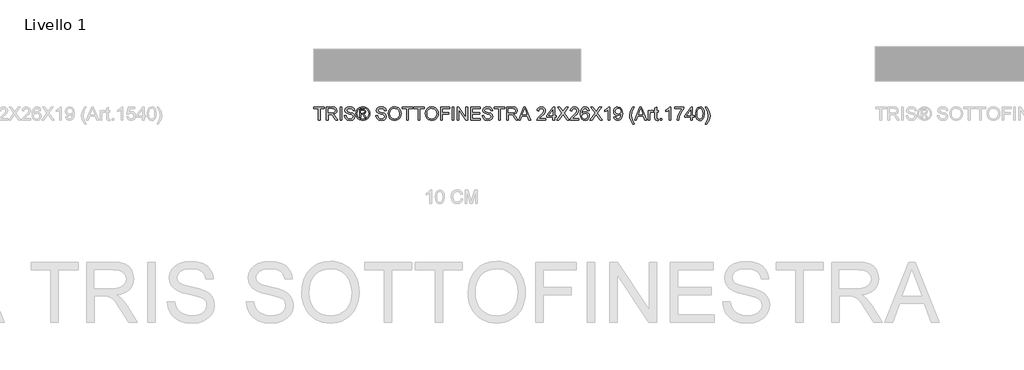
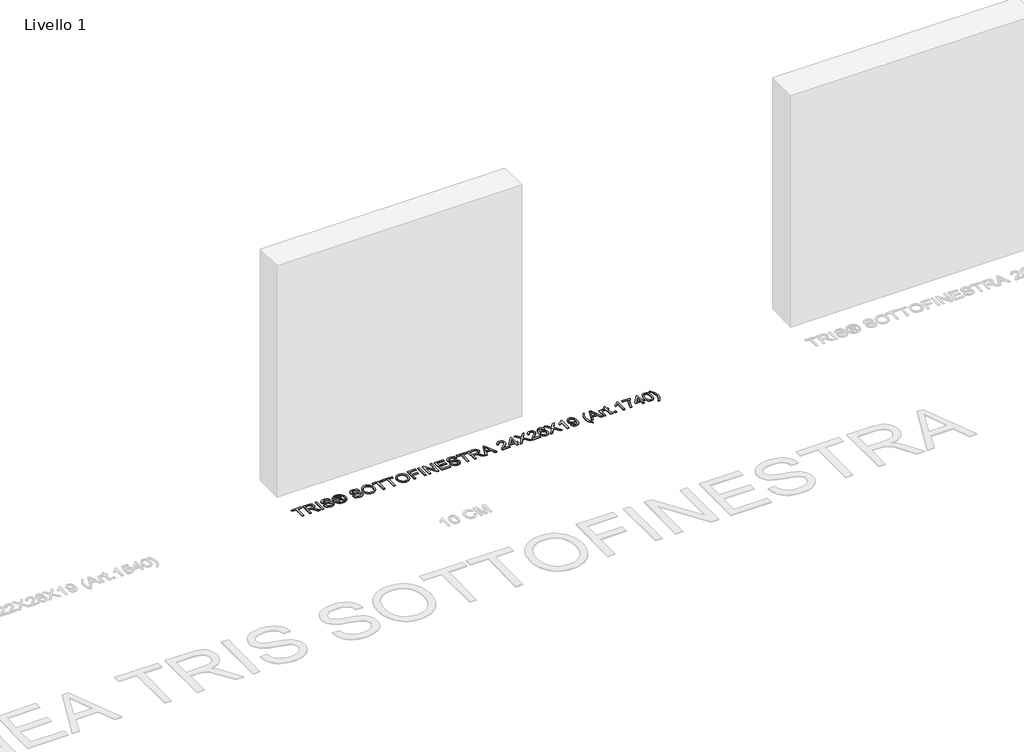
# One storey, part 18 of 19: 1 proxy.
"""IFC4 building model written with IfcOpenShell, lengths in millimetres."""

import ifcopenshell
import ifcopenshell.guid

model = None  # the IFC model being written
_history = None  # IfcOwnerHistory: only IFC2X3 demands one
_inside = {}  # id of a spatial element -> (the spatial element, [elements in it])
_under = {}  # id of a project, library or spatial element -> (it, [spatial elements below it])
_declared = {}  # id of a project -> (the project, [libraries it declares])
_typed = {}  # id of a type object -> (the type object, [elements of that type])
_made_of = {}  # id of a material, layer set ... -> (it, [elements and type objects made of it])


def new_model(schema):
    """Start an empty IFC model of exactly this schema.

    Asked for "IFC4X3", IfcOpenShell would pick the latest addendum, in which some entities
    have other attributes; the version numbers below select the first issue.
    IFC2X3 requires an IfcOwnerHistory on every rooted entity: one is made here for all.
    """
    global model, _history
    if schema == "IFC4X3":
        model = ifcopenshell.file(schema_version=(4, 3, 0, 0))
    else:
        model = ifcopenshell.file(schema=schema)
    _inside.clear()
    _under.clear()
    _declared.clear()
    _typed.clear()
    _made_of.clear()
    _history = None
    if model.schema == "IFC2X3":
        org = make("IfcOrganization", Name="unknown")
        user = make(
            "IfcPersonAndOrganization",
            ThePerson=make("IfcPerson", FamilyName="unknown"),
            TheOrganization=org,
        )
        app = make(
            "IfcApplication",
            ApplicationDeveloper=org,
            Version="unknown",
            ApplicationFullName="unknown",
            ApplicationIdentifier="unknown",
        )
        _history = make(
            "IfcOwnerHistory",
            OwningUser=user,
            OwningApplication=app,
            ChangeAction="ADDED",
            CreationDate=0,
        )
    return model


def make(cls, **values):
    """One entity of the class cls with the attributes given. An attribute that is None is left unset."""
    return model.create_entity(
        cls, **{name: value for name, value in values.items() if value is not None}
    )


def rooted(cls, **values):
    """An entity with a GlobalId (a new one), such as an element, a storey or a relation."""
    return make(cls, GlobalId=ifcopenshell.guid.new(), OwnerHistory=_history, **values)


def si_unit(unit_type, name, prefix=None):
    """IfcSIUnit, for example si_unit("LENGTHUNIT", "METRE", prefix="MILLI")."""
    return make("IfcSIUnit", UnitType=unit_type, Prefix=prefix, Name=name)


def assignment(units):
    """IfcUnitAssignment: the units of a project."""
    return None if units is None else make("IfcUnitAssignment", Units=units)


def point(xyz):
    """IfcCartesianPoint."""
    return None if xyz is None else make("IfcCartesianPoint", Coordinates=xyz)


def direction(xyz):
    """IfcDirection."""
    return None if xyz is None else make("IfcDirection", DirectionRatios=xyz)


def frame(location, z_axis=None, x_axis=None):
    """IfcAxis2Placement3D, a coordinate frame: its origin and axes. An axis left out is left unset."""
    return make(
        "IfcAxis2Placement3D",
        Location=point(location),
        Axis=direction(z_axis),
        RefDirection=direction(x_axis),
    )


def origin():
    """The frame at (0, 0, 0) with its axes left unset."""
    return frame((0.0, 0.0, 0.0))


def origin_with_axes():
    """The frame at (0, 0, 0) with the z axis (0, 0, 1) and the x axis (1, 0, 0) written out."""
    return frame((0.0, 0.0, 0.0), z_axis=(0.0, 0.0, 1.0), x_axis=(1.0, 0.0, 0.0))


def place(relative_to, where):
    """IfcLocalPlacement: puts the frame where relative to a parent placement (None: the world)."""
    return make(
        "IfcLocalPlacement", PlacementRelTo=relative_to, RelativePlacement=where
    )


def context(
    kind, dimensions, precision=None, world=None, true_north=None, identifier=None
):
    """IfcGeometricRepresentationContext, for example the 3D "Model" context."""
    return make(
        "IfcGeometricRepresentationContext",
        ContextIdentifier=identifier,
        ContextType=kind,
        CoordinateSpaceDimension=dimensions,
        Precision=precision,
        WorldCoordinateSystem=world,
        TrueNorth=true_north,
    )


def project(units=None, contexts=None):
    """IfcProject with its units and contexts."""
    return rooted(
        "IfcProject",
        Name="project",
        RepresentationContexts=contexts,
        UnitsInContext=assignment(units),
    )


def spatial(cls, under=None, at=None, **own):
    """A site, building, storey or space (cls), placed at a placement, below another one or the project."""
    s = rooted(cls, ObjectPlacement=at, **own)
    if under is not None:
        _under.setdefault(under.id(), (under, []))[1].append(s)
    return s


def polyline(points):
    """IfcPolyline through the points."""
    return make("IfcPolyline", Points=[point(p) for p in points])


def outline(outer, holes=None, kind="AREA"):
    """IfcArbitraryClosedProfileDef: a profile drawn as a closed curve; with holes, ...WithVoids."""
    if holes is None:
        return make("IfcArbitraryClosedProfileDef", ProfileType=kind, OuterCurve=outer)
    return make(
        "IfcArbitraryProfileDefWithVoids",
        ProfileType=kind,
        OuterCurve=outer,
        InnerCurves=holes,
    )


def extrude(swept, where, along, depth):
    """IfcExtrudedAreaSolid: the profile swept, set in the frame where, extruded along a direction by depth."""
    return make(
        "IfcExtrudedAreaSolid",
        SweptArea=swept,
        Position=where,
        ExtrudedDirection=direction(along),
        Depth=depth,
    )


def shape(context_of_items, identifier, shape_type, items):
    """IfcShapeRepresentation: the items that make up one representation, for example the "Body"."""
    return make(
        "IfcShapeRepresentation",
        ContextOfItems=context_of_items,
        RepresentationIdentifier=identifier,
        RepresentationType=shape_type,
        Items=items,
    )


def made_of(thing, what):
    """Note that an element or type object is made of a material, layer set ...; save() writes the relation."""
    if what is not None:
        _made_of.setdefault(what.id(), (what, []))[1].append(thing)
    return thing


def element(
    cls,
    number,
    at=None,
    inside=None,
    cuts=None,
    type_object=None,
    material=None,
    context=None,
    identifier="Body",
    shape_type=None,
    held_by="IfcProductDefinitionShape",
    body=None,
    shapes=None,
    **own,
):
    """One element of the class cls, such as IfcWall. Its Tag is "e" and its number.

    at: its placement. inside: the storey or other place that contains it. cuts: it is an
    opening in that element (IfcRelVoidsElement). A single representation is given by context,
    identifier, shape_type and body (its items); several are given by shapes. held_by: the class
    of the entity that holds the representations. save() writes the other relations.
    """
    e = rooted(cls, Tag="e%d" % number, ObjectPlacement=at, **own)
    if body is not None:
        shapes = [shape(context, identifier, shape_type, body)]
    if shapes is not None:
        e.Representation = make(held_by, Representations=shapes)
    if inside is not None:
        _inside.setdefault(inside.id(), (inside, []))[1].append(e)
    if cuts is not None:
        rooted(
            "IfcRelVoidsElement", RelatingBuildingElement=cuts, RelatedOpeningElement=e
        )
    if type_object is not None:
        _typed.setdefault(type_object.id(), (type_object, []))[1].append(e)
    return made_of(e, material)


def aggregate(whole, parts):
    """IfcRelAggregates: a whole, such as a stair, and the parts it consists of."""
    return rooted("IfcRelAggregates", RelatingObject=whole, RelatedObjects=parts)


def save(model, path):
    """Write the relations noted so far, then the file.

    IfcRelAggregates (storeys below a building ...), IfcRelContainedInSpatialStructure (elements
    in a storey), IfcRelDefinesByType, IfcRelAssociatesMaterial and IfcRelDeclares: one each for
    every whole, place, type object, material and project.
    """
    for whole, parts in _under.values():
        aggregate(whole, parts)
    for where, things in _inside.values():
        rooted(
            "IfcRelContainedInSpatialStructure",
            RelatedElements=things,
            RelatingStructure=where,
        )
    for kind, things in _typed.values():
        rooted("IfcRelDefinesByType", RelatedObjects=things, RelatingType=kind)
    for what, things in _made_of.values():
        rooted("IfcRelAssociatesMaterial", RelatedObjects=things, RelatingMaterial=what)
    for by, libraries in _declared.values():
        rooted("IfcRelDeclares", RelatingContext=by, RelatedDefinitions=libraries)
    model.write(path)


model = new_model("IFC4")

# Units and contexts
model_context = context("Model", 3, world=origin())
ifc_project = project(units=[si_unit("LENGTHUNIT", "METRE", prefix="MILLI")], contexts=[model_context])

# Site, building, storey
site = spatial("IfcSite", under=ifc_project)
building = spatial("IfcBuilding", under=site)
storey = spatial("IfcBuildingStorey", under=building, Name="Livello 1", Elevation=0.0)

# Proxy
placement = place(None, origin())
element("IfcBuildingElementProxy", 1, Name="100", ObjectType="100", at=placement, inside=storey, context=model_context, shape_type="SweptSolid", body=[
    extrude(outline(polyline([(-1100.6104208, 5626.2547253), (-1100.6104208, 5714.1539967), (-1133.5726476, 5714.1539967), (-1133.5726476, 5726.7110355), (-1055.0911553, 5726.7110355), (-1055.0911553, 5714.1539967), (-1088.053382, 5714.1539967), (-1088.053382, 5626.2547253), (-1100.6104208, 5626.2547253)])), origin_with_axes(), (0.0, 0.0, 1.0), 5.0),
    extrude(outline(polyline([(-1040.9644866, 5626.2547253), (-1040.9644866, 5726.7110355), (-997.6770385, 5726.7110355), (-977.5784189, 5724.0009714), (-966.59101, 5714.4115141), (-962.4829943, 5699.2179877), (-964.1844486, 5689.321962), (-969.2888112, 5681.1181935), (-977.9493666, 5675.1033229), (-990.3193986, 5671.7739909), (-983.1824879, 5666.4029137), (-973.0044194, 5653.477993), (-956.2535259, 5626.2547253), (-970.8461784, 5626.2547253), (-983.9182519, 5647.0768463), (-993.3605565, 5660.8601583), (-999.9946951, 5667.3716697), (-1005.9666462, 5669.7629026), (-1013.2507097, 5670.204361), (-1028.4074479, 5670.204361), (-1028.4074479, 5626.2547253), (-1040.9644866, 5626.2547253)]), holes=[polyline([(-1028.4074479, 5682.7613998), (-1000.3012634, 5682.7613998), (-985.9661284, 5684.5394961), (-977.8236735, 5690.2294043), (-975.0400331, 5698.7520038), (-980.3497966, 5709.8129892), (-997.1374783, 5714.1539967), (-1028.4074479, 5714.1539967), (-1028.4074479, 5682.7613998)])]), origin_with_axes(), (0.0, 0.0, 1.0), 5.0),
    extrude(outline(polyline([(-938.9385466, 5626.2547253), (-938.9385466, 5726.7110355), (-926.3815079, 5726.7110355), (-926.3815079, 5626.2547253), (-938.9385466, 5626.2547253)])), origin_with_axes(), (0.0, 0.0, 1.0), 5.0),
    extrude(outline(polyline([(-905.9763199, 5660.7865819), (-893.4192811, 5660.7865819), (-889.3725792, 5648.2172804), (-879.4888162, 5640.2710293), (-864.4301799, 5637.2421342), (-851.3090554, 5639.5352654), (-842.8355068, 5645.8383102), (-840.0518663, 5654.2628079), (-842.136531, 5662.0986944), (-850.6713933, 5667.8008653), (-868.9551284, 5672.595594), (-888.6368152, 5678.7882742), (-899.3176558, 5688.1324769), (-902.8370602, 5700.6159393), (-898.4837899, 5714.828447), (-885.7673356, 5724.8593628), (-867.1525067, 5728.2806653), (-847.2868789, 5724.6999472), (-834.0431271, 5714.1785222), (-829.0644574, 5698.4576982), (-841.6214962, 5698.4576982), (-843.92689, 5705.9502282), (-848.7338814, 5711.3580935), (-866.6619973, 5715.7236266), (-884.6391642, 5711.4071445), (-890.2800214, 5700.9838213), (-886.2823704, 5692.2772807), (-865.7790805, 5685.2629974), (-843.559008, 5678.9599525), (-831.4066395, 5668.781884), (-827.4948276, 5654.581639), (-831.9952506, 5639.5597908), (-844.9446969, 5628.5969074), (-863.9396706, 5624.6850955), (-886.3682095, 5628.9034757), (-900.5561918, 5641.6076673), (-905.9763199, 5660.7865819)])), origin_with_axes(), (0.0, 0.0, 1.0), 5.0),
    extrude(outline(polyline([(-791.3933411, 5645.0902835), (-791.3933411, 5707.8754773), (-771.1107804, 5707.8754773), (-756.0521441, 5706.1464319), (-748.6331905, 5700.1131672), (-745.8740756, 5690.9529055), (-750.632016, 5679.0335289), (-763.2381058, 5673.3436207), (-758.3330125, 5670.0081573), (-749.7736247, 5657.475644), (-742.7348159, 5645.0902835), (-753.3298173, 5645.0902835), (-758.8480473, 5655.0476228), (-768.0941481, 5669.468597), (-776.1139756, 5671.7739909), (-781.975562, 5671.7739909), (-781.975562, 5645.0902835), (-791.3933411, 5645.0902835)]), holes=[polyline([(-781.975562, 5681.1917699), (-770.0561854, 5681.1917699), (-758.4065889, 5683.5830029), (-755.2918547, 5689.922836), (-756.7879081, 5694.4845727), (-760.9449746, 5697.4766796), (-770.8164749, 5698.4576982), (-781.975562, 5698.4576982), (-781.975562, 5681.1917699)])]), origin_with_axes(), (0.0, 0.0, 1.0), 5.0),
    extrude(outline(polyline([(-767.824368, 5728.2806653), (-754.930104, 5726.6068022), (-742.3424084, 5721.585213), (-731.2844888, 5713.4488896), (-722.9795527, 5702.4308238), (-717.7832196, 5689.7082381), (-716.0511085, 5676.4583549), (-717.7586941, 5663.3249677), (-722.8814509, 5650.7066153), (-731.0852194, 5639.7284034), (-742.0358401, 5631.5154379), (-754.6449955, 5626.3926811), (-767.824368, 5624.6850955), (-780.9853463, 5626.3926811), (-793.5883704, 5631.5154379), (-804.5481881, 5639.7284034), (-812.7795478, 5650.7066153), (-817.9298957, 5663.3249677), (-819.6466783, 5676.4583549), (-817.9053702, 5689.7082381), (-812.6814459, 5702.4308238), (-804.3489187, 5713.4488896), (-793.281802, 5721.585213), (-780.7002378, 5726.6068022), (-767.824368, 5728.2806653)]), holes=[polyline([(-767.824368, 5718.8628862), (-788.6464889, 5713.3814445), (-797.6749262, 5706.7197147), (-804.5022029, 5697.6974088), (-810.2288993, 5676.4583549), (-804.6125675, 5655.4032421), (-788.8917435, 5639.7192064), (-767.824368, 5634.1028746), (-746.7447296, 5639.7192064), (-731.0606939, 5655.4032421), (-725.4688876, 5676.4583549), (-731.1587958, 5697.6974088), (-737.9676784, 5706.7197147), (-747.0145098, 5713.3814445), (-767.824368, 5718.8628862)])]), origin_with_axes(), (0.0, 0.0, 1.0), 5.0),
    extrude(outline(polyline([(-670.531843, 5660.7865819), (-657.9748042, 5660.7865819), (-653.9281023, 5648.2172804), (-644.0443393, 5640.2710293), (-628.985703, 5637.2421342), (-615.8645785, 5639.5352654), (-607.3910299, 5645.8383102), (-604.6073894, 5654.2628079), (-606.6920541, 5662.0986944), (-615.2269164, 5667.8008653), (-633.5106515, 5672.595594), (-653.1923383, 5678.7882742), (-663.8731789, 5688.1324769), (-667.3925833, 5700.6159393), (-663.039313, 5714.828447), (-650.3228587, 5724.8593628), (-631.7080297, 5728.2806653), (-611.842402, 5724.6999472), (-598.5986502, 5714.1785222), (-593.6199805, 5698.4576982), (-606.1770193, 5698.4576982), (-608.4824131, 5705.9502282), (-613.2894045, 5711.3580935), (-631.2175204, 5715.7236266), (-649.1946872, 5711.4071445), (-654.8355445, 5700.9838213), (-650.8378935, 5692.2772807), (-630.3346036, 5685.2629974), (-608.1145311, 5678.9599525), (-595.9621625, 5668.781884), (-592.0503507, 5654.581639), (-596.5507737, 5639.5597908), (-609.50022, 5628.5969074), (-628.4951937, 5624.6850955), (-650.9237326, 5628.9034757), (-665.1117149, 5641.6076673), (-670.531843, 5660.7865819)])), origin_with_axes(), (0.0, 0.0, 1.0), 5.0),
    extrude(outline(polyline([(-577.923682, 5675.1585052), (-574.5759559, 5697.3724464), (-564.5327774, 5714.1785222), (-549.1982296, 5724.7551295), (-529.9763953, 5728.2806653), (-516.8000885, 5726.6251963), (-504.9849451, 5721.6587894), (-495.1747586, 5713.7309324), (-488.0133224, 5703.1911133), (-483.6355267, 5690.5482354), (-482.1762614, 5676.3112021), (-483.7121688, 5661.8840966), (-488.3198908, 5649.063409), (-495.7449757, 5638.5051958), (-505.7329719, 5630.865513), (-517.4469477, 5626.2301999), (-530.0499717, 5624.6850955), (-543.4286136, 5626.3926811), (-555.3112021, 5631.5154379), (-565.0968631, 5639.5904477), (-572.1847229, 5650.1547923), (-577.923682, 5675.1585052)]), holes=[polyline([(-565.3666433, 5675.0358779), (-562.8558487, 5659.3211853), (-555.3234648, 5647.3466264), (-544.0018964, 5639.7682573), (-530.1235481, 5637.2421342), (-516.0428648, 5639.7927827), (-504.7029023, 5647.4447282), (-497.2257007, 5659.7871692), (-494.7333002, 5676.409304), (-499.0007313, 5697.1333231), (-511.471931, 5710.8553215), (-529.9028189, 5715.7236266), (-543.4102195, 5713.3783788), (-554.8942691, 5706.3426357), (-562.7485497, 5693.8254508), (-565.3666433, 5675.0358779)])]), origin_with_axes(), (0.0, 0.0, 1.0), 5.0),
    extrude(outline(polyline([(-439.7962556, 5626.2547253), (-439.7962556, 5714.1539967), (-472.7584824, 5714.1539967), (-472.7584824, 5726.7110355), (-394.2769901, 5726.7110355), (-394.2769901, 5714.1539967), (-427.2392168, 5714.1539967), (-427.2392168, 5626.2547253), (-439.7962556, 5626.2547253)])), origin_with_axes(), (0.0, 0.0, 1.0), 5.0),
    extrude(outline(polyline([(-355.0362439, 5626.2547253), (-355.0362439, 5714.1539967), (-387.9984707, 5714.1539967), (-387.9984707, 5726.7110355), (-309.5169784, 5726.7110355), (-309.5169784, 5714.1539967), (-342.4792051, 5714.1539967), (-342.4792051, 5626.2547253), (-355.0362439, 5626.2547253)])), origin_with_axes(), (0.0, 0.0, 1.0), 5.0),
    extrude(outline(polyline([(-300.0991993, 5675.1585052), (-296.7514731, 5697.3724464), (-286.7082947, 5714.1785222), (-271.3737468, 5724.7551295), (-252.1519126, 5728.2806653), (-238.9756058, 5726.6251963), (-227.1604624, 5721.6587894), (-217.3502758, 5713.7309324), (-210.1888397, 5703.1911133), (-205.8110439, 5690.5482354), (-204.3517787, 5676.3112021), (-205.887686, 5661.8840966), (-210.495408, 5649.063409), (-217.9204929, 5638.5051958), (-227.9084891, 5630.865513), (-239.622465, 5626.2301999), (-252.225489, 5624.6850955), (-265.6041309, 5626.3926811), (-277.4867193, 5631.5154379), (-287.2723804, 5639.5904477), (-294.3602402, 5650.1547923), (-300.0991993, 5675.1585052)]), holes=[polyline([(-287.5421605, 5675.0358779), (-285.0313659, 5659.3211853), (-277.4989821, 5647.3466264), (-266.1774137, 5639.7682573), (-252.2990654, 5637.2421342), (-238.218382, 5639.7927827), (-226.8784195, 5647.4447282), (-219.401218, 5659.7871692), (-216.9088174, 5676.409304), (-221.1762486, 5697.1333231), (-233.6474482, 5710.8553215), (-252.0783362, 5715.7236266), (-265.5857368, 5713.3783788), (-277.0697864, 5706.3426357), (-284.924067, 5693.8254508), (-287.5421605, 5675.0358779)])]), origin_with_axes(), (0.0, 0.0, 1.0), 5.0),
    extrude(outline(polyline([(-187.0858504, 5626.2547253), (-187.0858504, 5726.7110355), (-119.591767, 5726.7110355), (-119.591767, 5714.1539967), (-174.5288116, 5714.1539967), (-174.5288116, 5684.3310296), (-127.4399162, 5684.3310296), (-127.4399162, 5671.7739909), (-174.5288116, 5671.7739909), (-174.5288116, 5626.2547253), (-187.0858504, 5626.2547253)])), origin_with_axes(), (0.0, 0.0, 1.0), 5.0),
    extrude(outline(polyline([(-100.7562088, 5626.2547253), (-100.7562088, 5726.7110355), (-88.1991701, 5726.7110355), (-88.1991701, 5626.2547253), (-100.7562088, 5626.2547253)])), origin_with_axes(), (0.0, 0.0, 1.0), 5.0),
    extrude(outline(polyline([(-63.0850925, 5626.2547253), (-63.0850925, 5726.7110355), (-49.645137, 5726.7110355), (2.839361, 5647.1258972), (2.839361, 5726.7110355), (15.3963998, 5726.7110355), (15.3963998, 5626.2547253), (1.9564442, 5626.2547253), (-50.5280538, 5705.8643891), (-50.5280538, 5626.2547253), (-63.0850925, 5626.2547253)])), origin_with_axes(), (0.0, 0.0, 1.0), 5.0),
    extrude(outline(polyline([(37.3712176, 5626.2547253), (37.3712176, 5726.7110355), (109.5741905, 5726.7110355), (109.5741905, 5714.1539967), (49.9282564, 5714.1539967), (49.9282564, 5684.3310296), (106.4349308, 5684.3310296), (106.4349308, 5671.7739909), (49.9282564, 5671.7739909), (49.9282564, 5638.8117641), (111.1438204, 5638.8117641), (111.1438204, 5626.2547253), (37.3712176, 5626.2547253)])), origin_with_axes(), (0.0, 0.0, 1.0), 5.0),
    extrude(outline(polyline([(125.270489, 5660.7865819), (137.8275278, 5660.7865819), (141.8742297, 5648.2172804), (151.7579927, 5640.2710293), (166.816629, 5637.2421342), (179.9377535, 5639.5352654), (188.4113021, 5645.8383102), (191.1949425, 5654.2628079), (189.1102779, 5662.0986944), (180.5754156, 5667.8008653), (162.2916804, 5672.595594), (142.6099937, 5678.7882742), (131.9291531, 5688.1324769), (128.4097487, 5700.6159393), (132.763019, 5714.828447), (145.4794733, 5724.8593628), (164.0943022, 5728.2806653), (183.95993, 5724.6999472), (197.2036818, 5714.1785222), (202.1823515, 5698.4576982), (189.6253127, 5698.4576982), (187.3199189, 5705.9502282), (182.5129274, 5711.3580935), (164.5848116, 5715.7236266), (146.6076447, 5711.4071445), (140.9667875, 5700.9838213), (144.9644385, 5692.2772807), (165.4677283, 5685.2629974), (187.6878008, 5678.9599525), (199.8401694, 5668.781884), (203.7519813, 5654.581639), (199.2515582, 5639.5597908), (186.302112, 5628.5969074), (167.3071383, 5624.6850955), (144.8785993, 5628.9034757), (130.6906171, 5641.6076673), (125.270489, 5660.7865819)])), origin_with_axes(), (0.0, 0.0, 1.0), 5.0),
    extrude(outline(polyline([(247.701617, 5626.2547253), (247.701617, 5714.1539967), (214.7393902, 5714.1539967), (214.7393902, 5726.7110355), (293.2208825, 5726.7110355), (293.2208825, 5714.1539967), (260.2586558, 5714.1539967), (260.2586558, 5626.2547253), (247.701617, 5626.2547253)])), origin_with_axes(), (0.0, 0.0, 1.0), 5.0),
    extrude(outline(polyline([(307.3475511, 5626.2547253), (307.3475511, 5726.7110355), (350.6349992, 5726.7110355), (370.7336189, 5724.0009714), (381.7210278, 5714.4115141), (385.8290435, 5699.2179877), (384.1275892, 5689.321962), (379.0232265, 5681.1181935), (370.3626712, 5675.1033229), (357.9926391, 5671.7739909), (365.1295499, 5666.4029137), (375.3076184, 5653.477993), (392.0585119, 5626.2547253), (377.4658594, 5626.2547253), (364.3937859, 5647.0768463), (354.9514813, 5660.8601583), (348.3173427, 5667.3716697), (342.3453916, 5669.7629026), (335.0613281, 5670.204361), (319.9045899, 5670.204361), (319.9045899, 5626.2547253), (307.3475511, 5626.2547253)]), holes=[polyline([(319.9045899, 5682.7613998), (348.0107743, 5682.7613998), (362.3459094, 5684.5394961), (370.4883643, 5690.2294043), (373.2720047, 5698.7520038), (367.9622412, 5709.8129892), (351.1745595, 5714.1539967), (319.9045899, 5714.1539967), (319.9045899, 5682.7613998)])]), origin_with_axes(), (0.0, 0.0, 1.0), 5.0),
    extrude(outline(polyline([(396.1052138, 5626.2547253), (436.2043513, 5726.7110355), (446.8974546, 5726.7110355), (486.9965921, 5626.2547253), (473.7283148, 5626.2547253), (462.2258711, 5657.6473222), (420.8514094, 5657.6473222), (409.3734911, 5626.2547253), (396.1052138, 5626.2547253)]), holes=[polyline([(425.4621971, 5670.204361), (457.6396089, 5670.204361), (448.5897118, 5694.9015056), (441.550903, 5714.1539967), (435.2969091, 5697.0597467), (425.4621971, 5670.204361)])]), origin_with_axes(), (0.0, 0.0, 1.0), 5.0),
    extrude(outline(polyline([(599.2987025, 5638.8117641), (599.2987025, 5626.2547253), (533.374249, 5626.2547253), (534.7231496, 5634.9122149), (542.3505697, 5648.2418059), (558.0713936, 5662.7976702), (579.7519058, 5683.717893), (585.1720339, 5697.9426635), (580.0584742, 5709.4573699), (566.7043577, 5714.1539967), (552.7861556, 5709.5677345), (547.5009176, 5696.8880684), (534.9438788, 5698.4576982), (537.9881023, 5710.6039355), (544.5701244, 5719.4760229), (554.3465884, 5724.9022823), (566.9741379, 5726.7110355), (579.6936579, 5724.6999472), (589.4517278, 5718.6666825), (595.6597364, 5709.6535736), (597.7290727, 5698.7029529), (595.4972552, 5686.795839), (588.0783017, 5674.4840549), (570.0888721, 5657.2794403), (555.6433724, 5645.2006481), (549.9779897, 5638.8117641), (599.2987025, 5638.8117641)])), origin_with_axes(), (0.0, 0.0, 1.0), 5.0),
    extrude(outline(polyline([(652.6661173, 5626.2547253), (652.6661173, 5649.799173), (607.1468517, 5649.799173), (607.1468517, 5662.3562118), (655.805377, 5725.1414056), (665.2231561, 5725.1414056), (665.2231561, 5662.3562118), (677.7801948, 5662.3562118), (677.7801948, 5649.799173), (665.2231561, 5649.799173), (665.2231561, 5626.2547253), (652.6661173, 5626.2547253)]), holes=[polyline([(652.6661173, 5662.3562118), (652.6661173, 5701.1554995), (622.5978955, 5662.3562118), (652.6661173, 5662.3562118)])]), origin_with_axes(), (0.0, 0.0, 1.0), 5.0),
    extrude(outline(polyline([(682.4890844, 5626.2547253), (721.2147957, 5680.9955662), (688.7676037, 5726.7110355), (703.8262401, 5726.7110355), (722.0977125, 5700.9838213), (728.2536046, 5690.9529055), (735.4640917, 5701.1554995), (753.5393604, 5726.7110355), (768.8187259, 5726.7110355), (736.3715339, 5680.8484134), (775.0972453, 5626.2547253), (760.0386089, 5626.2547253), (734.2378183, 5662.6505174), (728.8667412, 5670.204361), (722.9561038, 5661.9147534), (697.7684499, 5626.2547253), (682.4890844, 5626.2547253)])), origin_with_axes(), (0.0, 0.0, 1.0), 5.0),
    extrude(outline(polyline([(847.3002182, 5638.8117641), (847.3002182, 5626.2547253), (781.3757647, 5626.2547253), (782.7246653, 5634.9122149), (790.3520853, 5648.2418059), (806.0729093, 5662.7976702), (827.7534215, 5683.717893), (833.1735496, 5697.9426635), (828.0599899, 5709.4573699), (814.7058734, 5714.1539967), (800.7876713, 5709.5677345), (795.5024333, 5696.8880684), (782.9453945, 5698.4576982), (785.989618, 5710.6039355), (792.5716401, 5719.4760229), (802.3481041, 5724.9022823), (814.9756536, 5726.7110355), (827.6951735, 5724.6999472), (837.4532435, 5718.6666825), (843.6612521, 5709.6535736), (845.7305884, 5698.7029529), (843.4987709, 5686.795839), (836.0798173, 5674.4840549), (818.0903878, 5657.2794403), (803.6448881, 5645.2006481), (797.9795054, 5638.8117641), (847.3002182, 5638.8117641)])), origin_with_axes(), (0.0, 0.0, 1.0), 5.0),
    extrude(outline(polyline([(924.2120807, 5700.0273281), (911.6550419, 5698.4576982), (906.8971014, 5708.9300724), (894.3155372, 5714.1539967), (882.9847717, 5711.1128389), (874.4131212, 5699.6962343), (870.8446659, 5677.3167463), (881.9179139, 5687.3353993), (895.6399124, 5690.609549), (907.2404579, 5688.3716002), (916.9770681, 5681.6577538), (923.5805499, 5671.3999775), (925.7817105, 5658.530239), (921.6369067, 5641.2029971), (910.2325648, 5628.9402639), (893.7759769, 5624.6850955), (879.5297467, 5627.5055241), (868.1836528, 5635.96681), (860.7616335, 5650.902819), (858.2876271, 5673.147417), (861.0344794, 5698.1572613), (869.275036, 5715.2576427), (880.5260937, 5723.8476873), (895.1003521, 5726.7110355), (906.1184179, 5724.9390705), (914.9414544, 5719.6231757), (921.1218719, 5711.1802839), (924.2120807, 5700.0273281)]), holes=[polyline([(870.8446659, 5658.7264428), (873.7509337, 5647.8493984), (881.4764556, 5639.9521983), (892.7949583, 5637.2421342), (901.0815002, 5638.6462172), (907.5960772, 5642.858466), (911.8175231, 5649.480342), (913.2246717, 5658.1133061), (911.8359172, 5666.3998481), (907.6696536, 5672.7182213), (901.044712, 5676.718938), (892.2799235, 5678.0525102), (877.0863971, 5672.7182213), (872.4050987, 5666.5531322), (870.8446659, 5658.7264428)])]), origin_with_axes(), (0.0, 0.0, 1.0), 5.0),
    extrude(outline(polyline([(930.4906, 5626.2547253), (969.2163114, 5680.9955662), (936.7691194, 5726.7110355), (951.8277558, 5726.7110355), (970.0992282, 5700.9838213), (976.2551202, 5690.9529055), (983.4656073, 5701.1554995), (1001.540876, 5726.7110355), (1016.8202416, 5726.7110355), (984.3730496, 5680.8484134), (1023.098761, 5626.2547253), (1008.0401246, 5626.2547253), (982.239334, 5662.6505174), (976.8682569, 5670.204361), (970.9576195, 5661.9147534), (945.7699656, 5626.2547253), (930.4906, 5626.2547253)])), origin_with_axes(), (0.0, 0.0, 1.0), 5.0),
    extrude(outline(polyline([(1078.0358056, 5626.2547253), (1065.4787668, 5626.2547253), (1065.4787668, 5704.5400139), (1053.5839156, 5696.0664653), (1040.3646893, 5689.7266322), (1040.3646893, 5701.5969579), (1058.7710518, 5713.3446563), (1069.9424017, 5726.7110355), (1078.0358056, 5726.7110355), (1078.0358056, 5626.2547253)])), origin_with_axes(), (0.0, 0.0, 1.0), 5.0),
    extrude(outline(polyline([(1109.4284025, 5651.3688029), (1121.9854413, 5652.9384327), (1127.6262985, 5640.9577424), (1138.3194019, 5637.2421342), (1148.4852077, 5639.6333672), (1155.3768637, 5646.0222512), (1159.4848793, 5656.9360837), (1161.2997638, 5671.5042107), (1161.2261874, 5673.9567574), (1151.1830089, 5664.4408764), (1137.4119596, 5660.7865819), (1125.9616325, 5663.0183994), (1116.4304231, 5669.7138517), (1110.0016853, 5680.0574671), (1107.8587727, 5693.2337739), (1110.1059185, 5706.8454077), (1116.8473561, 5717.5139856), (1126.973308, 5724.411773), (1139.3739969, 5726.7110355), (1157.2653246, 5721.4625857), (1169.5771087, 5706.5020512), (1173.7832262, 5678.3958668), (1169.5893714, 5647.8984494), (1164.3746442, 5637.9073875), (1157.1181718, 5630.6202583), (1148.1326541, 5626.1688862), (1137.7307907, 5624.6850955), (1126.9947678, 5626.4356006), (1118.4292486, 5631.6871161), (1112.4389035, 5640.1085481), (1109.4284025, 5651.3688029)]), holes=[polyline([(1161.2261874, 5693.5280795), (1159.8711554, 5702.0384163), (1155.8060594, 5708.5867158), (1149.4968831, 5712.7621765), (1141.4096106, 5714.1539967), (1133.0219011, 5712.6548776), (1126.3019233, 5708.1575202), (1121.8873394, 5701.2750612), (1120.4158114, 5692.6206373), (1121.8076316, 5684.8613928), (1125.9830923, 5678.7024351), (1132.5375232, 5674.6833243), (1141.0662541, 5673.3436207), (1155.548542, 5678.7024351), (1159.8067761, 5685.0882534), (1161.2261874, 5693.5280795)])]), origin_with_axes(), (0.0, 0.0, 1.0), 5.0),
    extrude(outline(polyline([(1252.2647185, 5598.0013881), (1234.4347045, 5627.4564732), (1228.9716568, 5644.6365624), (1227.150641, 5662.4297882), (1232.5952945, 5692.9639938), (1252.2647185, 5726.7110355), (1261.6824976, 5726.7110355), (1249.9347992, 5706.8208823), (1242.8714649, 5687.5438657), (1239.7076797, 5662.3562118), (1245.2013842, 5630.1665372), (1261.6824976, 5598.0013881), (1252.2647185, 5598.0013881)])), origin_with_axes(), (0.0, 0.0, 1.0), 5.0),
    extrude(outline(polyline([(1264.1105187, 5626.2547253), (1304.2096562, 5726.7110355), (1314.9027595, 5726.7110355), (1355.001897, 5626.2547253), (1341.7336197, 5626.2547253), (1330.231176, 5657.6473222), (1288.8567143, 5657.6473222), (1277.378796, 5626.2547253), (1264.1105187, 5626.2547253)]), holes=[polyline([(1293.467502, 5670.204361), (1325.6449138, 5670.204361), (1316.5950167, 5694.9015056), (1309.5562079, 5714.1539967), (1303.302214, 5697.0597467), (1293.467502, 5670.204361)])]), origin_with_axes(), (0.0, 0.0, 1.0), 5.0),
    extrude(outline(polyline([(1366.8476973, 5626.2547253), (1366.8476973, 5700.0273281), (1377.8351062, 5700.0273281), (1377.8351062, 5689.1134956), (1385.6342045, 5699.1689368), (1393.4823537, 5701.5969579), (1406.0884434, 5697.7219343), (1401.8945887, 5686.4647452), (1393.0654208, 5689.0399192), (1385.9652983, 5686.5628471), (1381.4403497, 5679.6957165), (1379.404736, 5665.0294876), (1379.404736, 5626.2547253), (1366.8476973, 5626.2547253)])), origin_with_axes(), (0.0, 0.0, 1.0), 5.0),
    extrude(outline(polyline([(1440.6203, 5636.7270995), (1442.1899299, 5625.8868433), (1432.7966763, 5624.6850955), (1422.2752512, 5626.7697601), (1417.0268014, 5632.2389391), (1415.5062225, 5646.4882351), (1415.5062225, 5687.4702893), (1406.0884434, 5687.4702893), (1406.0884434, 5700.0273281), (1415.5062225, 5700.0273281), (1415.5062225, 5717.955444), (1428.0632613, 5725.3376094), (1428.0632613, 5700.0273281), (1440.6203, 5700.0273281), (1440.6203, 5687.4702893), (1428.0632613, 5687.4702893), (1428.0632613, 5646.8561171), (1428.7254488, 5640.3813939), (1430.8714271, 5638.0882628), (1435.151121, 5637.2421342), (1440.6203, 5636.7270995)])), origin_with_axes(), (0.0, 0.0, 1.0), 5.0),
    extrude(outline(polyline([(1456.3165985, 5626.2547253), (1456.3165985, 5638.8117641), (1468.8736373, 5638.8117641), (1468.8736373, 5626.2547253), (1456.3165985, 5626.2547253)])), origin_with_axes(), (0.0, 0.0, 1.0), 5.0),
    extrude(outline(polyline([(1536.3677206, 5626.2547253), (1523.8106819, 5626.2547253), (1523.8106819, 5704.5400139), (1511.9158307, 5696.0664653), (1498.6966043, 5689.7266322), (1498.6966043, 5701.5969579), (1517.1029668, 5713.3446563), (1528.2743167, 5726.7110355), (1536.3677206, 5726.7110355), (1536.3677206, 5626.2547253)])), origin_with_axes(), (0.0, 0.0, 1.0), 5.0),
    extrude(outline(polyline([(1566.1906877, 5712.5843669), (1566.1906877, 5725.1414056), (1632.1151412, 5725.1414056), (1632.1151412, 5714.9878626), (1613.4144732, 5687.9730614), (1599.1038635, 5653.5515694), (1594.4440249, 5626.2547253), (1581.8869862, 5626.2547253), (1586.8779186, 5654.581639), (1600.5753915, 5686.5996353), (1619.5581025, 5712.5843669), (1566.1906877, 5712.5843669)])), origin_with_axes(), (0.0, 0.0, 1.0), 5.0),
    extrude(outline(polyline([(1683.9129262, 5626.2547253), (1683.9129262, 5649.799173), (1638.3936606, 5649.799173), (1638.3936606, 5662.3562118), (1687.0521859, 5725.1414056), (1696.4699649, 5725.1414056), (1696.4699649, 5662.3562118), (1709.0270037, 5662.3562118), (1709.0270037, 5649.799173), (1696.4699649, 5649.799173), (1696.4699649, 5626.2547253), (1683.9129262, 5626.2547253)]), holes=[polyline([(1683.9129262, 5662.3562118), (1683.9129262, 5701.1554995), (1653.8447044, 5662.3562118), (1683.9129262, 5662.3562118)])]), origin_with_axes(), (0.0, 0.0, 1.0), 5.0),
    extrude(outline(polyline([(1720.0144126, 5675.67354), (1723.7054953, 5704.5768021), (1734.6683788, 5721.2418565), (1752.9766394, 5726.7110355), (1767.6428683, 5723.4736739), (1777.7718859, 5714.141734), (1783.6579978, 5699.2793014), (1785.9388662, 5675.67354), (1782.2845717, 5646.8929053), (1771.3584764, 5630.1910627), (1763.1271168, 5626.0615873), (1752.9766394, 5624.6850955), (1739.9290913, 5627.0763284), (1730.0208029, 5634.2500274), (1722.5160102, 5651.2400442), (1720.0144126, 5675.67354)]), holes=[polyline([(1732.5714514, 5675.6980655), (1734.0429794, 5655.945868), (1738.4575633, 5644.513935), (1745.0303883, 5639.0600844), (1752.9766394, 5637.2421342), (1760.9228905, 5639.0662158), (1767.4957155, 5644.5384605), (1771.9102994, 5655.9765249), (1773.3818274, 5675.6980655), (1771.9593503, 5695.0057389), (1767.6919192, 5706.5265767), (1761.131357, 5712.2471417), (1752.8294866, 5714.1539967), (1744.9690746, 5712.4740023), (1738.653767, 5707.4340189), (1734.0920303, 5695.1958112), (1732.5714514, 5675.6980655)])]), origin_with_axes(), (0.0, 0.0, 1.0), 5.0),
    extrude(outline(polyline([(1803.2047945, 5598.0013881), (1793.7870154, 5598.0013881), (1810.2681288, 5630.1665372), (1815.7618332, 5662.3562118), (1812.5980481, 5687.3231365), (1805.6082902, 5706.6246785), (1793.7870154, 5726.7110355), (1803.2047945, 5726.7110355), (1822.8742185, 5692.9639938), (1828.318872, 5662.4297882), (1826.4886591, 5644.6365624), (1820.9980203, 5627.4564732), (1803.2047945, 5598.0013881)])), origin_with_axes(), (0.0, 0.0, 1.0), 5.0),
])

save(model, "model.ifc")
